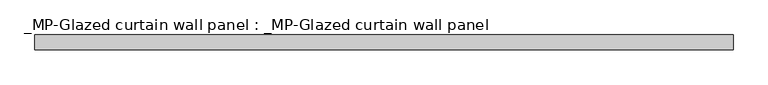
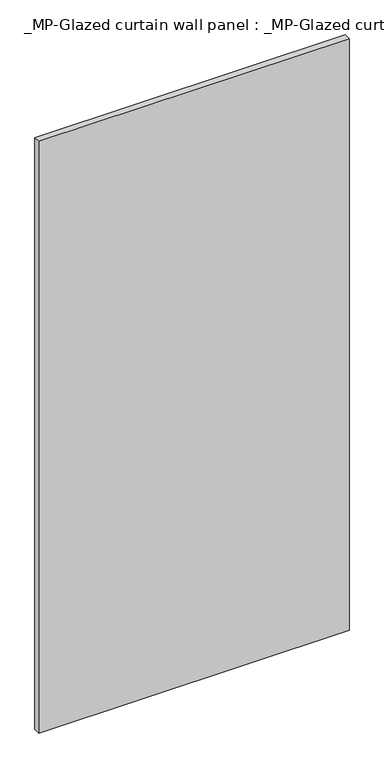
"""IFC4 building model written with IfcOpenShell, lengths in millimetres: plate geometry, _MP-Glazed curtain wall panel : _MP-Glazed curtain wall panel."""

from ifc_helpers import new_model, si_unit, frame, origin, place, context, project, spatial, polyline, outline, extrude, source, transform, mapped, element, save


def mp_glazed_curtain_wall_panel_mp_glazed_curtain_wall_panel_0942f096(model_context):
    return source(origin(), model_context, "Body", "SweptSolid", [
        extrude(outline(polyline([(716.5, 30.0), (-716.5, 30.0), (-716.5, 60.0), (716.5, 60.0), (716.5, 30.0)])), frame((0.0, 0.0, -14.0), z_axis=(0.0, 0.0, 1.0), x_axis=(1.0, 0.0, 0.0)), (0.0, 0.0, 1.0), 2888.0),
    ])


if __name__ == "__main__":
    model = new_model("IFC4")
    model_context = context("Model", 3, world=origin())
    ifc_project = project(units=[si_unit("LENGTHUNIT", "METRE", prefix="MILLI")], contexts=[model_context])
    site = spatial("IfcSite", under=ifc_project)
    building = spatial("IfcBuilding", under=site)
    placement = place(None, origin())
    mp_glazed_curtain_wall_panel_mp_glazed_curtain_wall_panel_shape = mp_glazed_curtain_wall_panel_mp_glazed_curtain_wall_panel_0942f096(model_context)
    element("IfcPlate", 1, ObjectType="_MP-Glazed curtain wall panel : _MP-Glazed curtain wall panel", at=placement, inside=building, context=model_context, shape_type="MappedRepresentation", body=[
        mapped(mp_glazed_curtain_wall_panel_mp_glazed_curtain_wall_panel_shape, transform((0.0, 0.0, 0.0), x_axis=(1.0, 0.0, 0.0), y_axis=(0.0, 1.0, 0.0), z_axis=(0.0, 0.0, 1.0))),
    ])
    save(model, "model.ifc")
